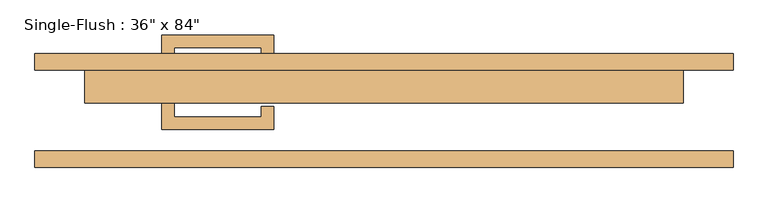
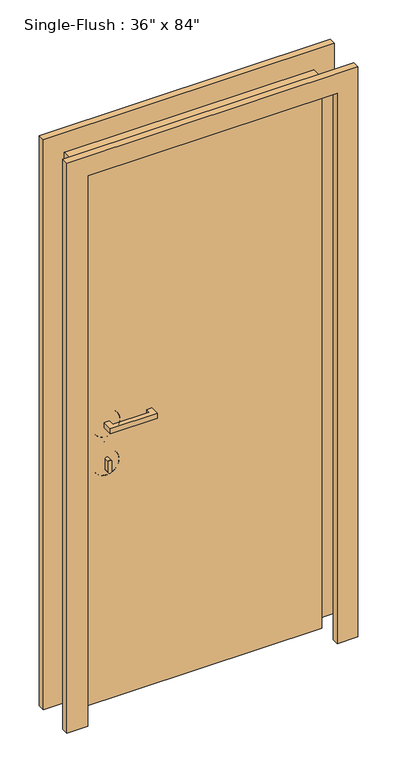
"""IFC4 building model written with IfcOpenShell, lengths in millimetres: door geometry."""

from ifc_helpers import new_model, si_unit, point, frame, frame_2d, origin, origin_with_axes, place, context, project, spatial, polyline, circle_curve, ellipse_curve, trimmed, segment, composite_curve, outline, extrude, source, transform, mapped, element, save
from ifc_brep_helpers import plane_surface, cylinder_surface, revolved_surface, advanced_brep


def door_de4ef92c(model_context):
    return source(origin(), model_context, "Body", "SolidModel", [
        extrude(outline(polyline([(-320.675, 12.7), (-320.675, -9.525), (-187.325, -9.525), (-187.325, 6.35), (-168.275, 6.35), (-168.275, -28.575), (-339.725, -28.575), (-339.725, 12.7), (-320.675, 12.7)])), frame((0.0, 0.0, 1057.275), z_axis=(0.0, 0.0, 1.0), x_axis=(1.0, 0.0, 0.0)), (0.0, 0.0, 1.0), 19.05),
        extrude(outline(composite_curve([segment(trimmed(circle_curve(frame_2d((895.35, -330.2)), 6.35), [point((895.35, -336.55))], [point((895.35, -323.85))], False, "CARTESIAN"), True, "CONTINUOUS"), segment(polyline([(895.35, -323.85), (933.45, -323.85)]), True, "CONTINUOUS"), segment(trimmed(circle_curve(frame_2d((933.45, -330.2)), 6.35), [point((933.45, -323.85))], [point((933.45, -336.55))], False, "CARTESIAN"), True, "CONTINUOUS"), segment(polyline([(933.45, -336.55), (895.35, -336.55)]), True, "CONTINUOUS")], self_intersect=False)), frame((0.0, -9.525, 0.0), z_axis=(0.0, 1.0, 0.0), x_axis=(0.0, 0.0, 1.0)), (0.0, 0.0, 1.0), 22.225),
        advanced_brep(
        [(-282.575, 15.875, 914.4), (-282.575, 25.4, 914.4), (-377.825, 25.4, 914.4), (-377.825, 15.875, 914.4), (-285.75, 12.7, 914.4), (-374.65, 12.7, 914.4), (-330.2, 12.7, 914.4), (-330.2, 25.4, 914.4)],
        [
            (0, 1),
            (1, 2, circle_curve(frame((-330.2, 25.4, 914.4), z_axis=(0.0, -1.0, 0.0), x_axis=(-1.0, 0.0, 0.0)), 47.625)),
            (2, 3),
            (3, 0, circle_curve(frame((-330.2, 15.875, 914.4), z_axis=(0.0, 1.0, 0.0), x_axis=(-1.0, 0.0, 0.0)), 47.625)),
            (2, 1, circle_curve(frame((-330.2, 25.4, 914.4), z_axis=(0.0, -1.0, 0.0), x_axis=(-1.0, 0.0, 0.0)), 47.625)),
            (0, 3, circle_curve(frame((-330.2, 15.875, 914.4), z_axis=(0.0, 1.0, 0.0), x_axis=(-1.0, 0.0, 0.0)), 47.625)),
            (4, 0, circle_curve(frame((-285.75, 15.875, 914.4), z_axis=(0.0, 0.0, 1.0), x_axis=(-1.0, 0.0, 0.0)), 3.175)),
            (3, 5, circle_curve(frame((-374.65, 15.875, 914.4), z_axis=(0.0, 0.0, 1.0), x_axis=(1.0, 0.0, 0.0)), 3.175)),
            (5, 4, circle_curve(frame((-330.2, 12.7, 914.4), z_axis=(0.0, 1.0, 0.0), x_axis=(-1.0, 0.0, 0.0)), 44.45)),
            (4, 5, circle_curve(frame((-330.2, 12.7, 914.4), z_axis=(0.0, 1.0, 0.0), x_axis=(-1.0, 0.0, 0.0)), 44.45)),
            (6, 4),
            (5, 6),
            (1, 7),
            (7, 2),
        ],
        [
            cylinder_surface(frame((-330.2, 152.4, 914.4), z_axis=(0.0, -1.0, 0.0), x_axis=(-1.0, 0.0, 0.0)), 47.625),
            revolved_surface(trimmed(ellipse_curve(frame((-374.65, 15.875, 914.4), z_axis=(0.0, 0.0, 1.0), x_axis=(1.0, 0.0, 0.0)), 3.175, 3.175), [point((-377.825, 15.875, 914.4))], [point((-374.65, 12.7, 914.4))], True, "CARTESIAN"), (-330.2, 152.4, 914.4), (0.0, -1.0, 0.0)),
            plane_surface(frame((-330.2, 12.7, 914.4), z_axis=(0.0, -1.0, 0.0), x_axis=(-1.0, 0.0, 0.0))),
            plane_surface(frame((-330.2, 25.4, 914.4), z_axis=(0.0, 1.0, 0.0), x_axis=(-1.0, 0.0, 0.0))),
        ],
        [
            (0, [[1, 2, 3, 4]]),
            (0, [[-3, 5, -1, 6]]),
            (1, [[7, -4, 8, 9]]),
            (1, [[-8, -6, -7, 10]]),
            (2, [[11, -9, 12]]),
            (2, [[-12, -10, -11]]),
            (3, [[13, 14, -2]]),
            (3, [[-14, -13, -5]]),
        ],
    ),
        advanced_brep(
        [(-279.4, 15.875, 1066.8), (-279.4, 25.4, 1066.8), (-381.0, 25.4, 1066.8), (-381.0, 15.875, 1066.8), (-282.575, 12.7, 1066.8), (-377.825, 12.7, 1066.8), (-330.2, 12.7, 1066.8), (-330.2, 25.4, 1066.8)],
        [
            (0, 1),
            (1, 2, circle_curve(frame((-330.2, 25.4, 1066.8), z_axis=(0.0, -1.0, 0.0), x_axis=(-1.0, 0.0, 0.0)), 50.8)),
            (2, 3),
            (3, 0, circle_curve(frame((-330.2, 15.875, 1066.8), z_axis=(0.0, 1.0, 0.0), x_axis=(-1.0, 0.0, 0.0)), 50.8)),
            (2, 1, circle_curve(frame((-330.2, 25.4, 1066.8), z_axis=(0.0, -1.0, 0.0), x_axis=(-1.0, 0.0, 0.0)), 50.8)),
            (0, 3, circle_curve(frame((-330.2, 15.875, 1066.8), z_axis=(0.0, 1.0, 0.0), x_axis=(-1.0, 0.0, 0.0)), 50.8)),
            (4, 0, circle_curve(frame((-282.575, 15.875, 1066.8), z_axis=(0.0, 0.0, 1.0), x_axis=(-1.0, 0.0, 0.0)), 3.175)),
            (3, 5, circle_curve(frame((-377.825, 15.875, 1066.8), z_axis=(0.0, 0.0, 1.0), x_axis=(1.0, 0.0, 0.0)), 3.175)),
            (5, 4, circle_curve(frame((-330.2, 12.7, 1066.8), z_axis=(0.0, 1.0, 0.0), x_axis=(-1.0, 0.0, 0.0)), 47.625)),
            (4, 5, circle_curve(frame((-330.2, 12.7, 1066.8), z_axis=(0.0, 1.0, 0.0), x_axis=(-1.0, 0.0, 0.0)), 47.625)),
            (6, 4),
            (5, 6),
            (1, 7),
            (7, 2),
        ],
        [
            cylinder_surface(frame((-330.2, 152.4, 1066.8), z_axis=(0.0, -1.0, 0.0), x_axis=(-1.0, 0.0, 0.0)), 50.8),
            revolved_surface(trimmed(ellipse_curve(frame((-377.825, 15.875, 1066.8), z_axis=(0.0, 0.0, 1.0), x_axis=(1.0, 0.0, 0.0)), 3.175, 3.175), [point((-381.0, 15.875, 1066.8))], [point((-377.825, 12.7, 1066.8))], True, "CARTESIAN"), (-330.2, 152.4, 1066.8), (0.0, -1.0, 0.0)),
            plane_surface(frame((-330.2, 12.7, 1066.8), z_axis=(0.0, -1.0, 0.0), x_axis=(-1.0, 0.0, 0.0))),
            plane_surface(frame((-330.2, 25.4, 1066.8), z_axis=(0.0, 1.0, 0.0), x_axis=(-1.0, 0.0, 0.0))),
        ],
        [
            (0, [[1, 2, 3, 4]]),
            (0, [[-3, 5, -1, 6]]),
            (1, [[7, -4, 8, 9]]),
            (1, [[-8, -6, -7, 10]]),
            (2, [[11, -9, 12]]),
            (2, [[-12, -10, -11]]),
            (3, [[13, 14, -2]]),
            (3, [[-14, -13, -5]]),
        ],
    ),
        extrude(outline(polyline([(-320.675, 74.6125), (-339.725, 74.6125), (-339.725, 115.8875), (-168.275, 115.8875), (-168.275, 80.9625), (-187.325, 80.9625), (-187.325, 96.8375), (-320.675, 96.8375), (-320.675, 74.6125)])), frame((0.0, 0.0, 1057.275), z_axis=(0.0, 0.0, 1.0), x_axis=(1.0, 0.0, 0.0)), (0.0, 0.0, 1.0), 19.05),
        extrude(outline(composite_curve([segment(trimmed(circle_curve(frame_2d((895.35, -330.2)), 6.35), [point((895.35, -336.55))], [point((895.35, -323.85))], False, "CARTESIAN"), True, "CONTINUOUS"), segment(polyline([(895.35, -323.85), (933.45, -323.85)]), True, "CONTINUOUS"), segment(trimmed(circle_curve(frame_2d((933.45, -330.2)), 6.35), [point((933.45, -323.85))], [point((933.45, -336.55))], False, "CARTESIAN"), True, "CONTINUOUS"), segment(polyline([(933.45, -336.55), (895.35, -336.55)]), True, "CONTINUOUS")], self_intersect=False)), frame((0.0, 74.6125, 0.0), z_axis=(0.0, 1.0, 0.0), x_axis=(0.0, 0.0, 1.0)), (0.0, 0.0, 1.0), 22.225),
        advanced_brep(
        [(-282.575, 71.4375, 914.4), (-377.825, 71.4375, 914.4), (-377.825, 61.9125, 914.4), (-282.575, 61.9125, 914.4), (-285.75, 74.6125, 914.4), (-374.65, 74.6125, 914.4), (-330.2, 74.6125, 914.4), (-330.2, 61.9125, 914.4)],
        [
            (0, 1, circle_curve(frame((-330.2, 71.4375, 914.4), z_axis=(0.0, -1.0, 0.0), x_axis=(-1.0, 0.0, 0.0)), 47.625)),
            (1, 2),
            (2, 3, circle_curve(frame((-330.2, 61.9125, 914.4), z_axis=(0.0, 1.0, 0.0), x_axis=(-1.0, 0.0, 0.0)), 47.625)),
            (3, 0),
            (1, 0, circle_curve(frame((-330.2, 71.4375, 914.4), z_axis=(0.0, -1.0, 0.0), x_axis=(-1.0, 0.0, 0.0)), 47.625)),
            (3, 2, circle_curve(frame((-330.2, 61.9125, 914.4), z_axis=(0.0, 1.0, 0.0), x_axis=(-1.0, 0.0, 0.0)), 47.625)),
            (4, 5, circle_curve(frame((-330.2, 74.6125, 914.4), z_axis=(0.0, -1.0, 0.0), x_axis=(-1.0, 0.0, 0.0)), 44.45)),
            (5, 1, circle_curve(frame((-374.65, 71.4375, 914.4), z_axis=(0.0, 0.0, 1.0), x_axis=(1.0, 0.0, 0.0)), 3.175)),
            (0, 4, circle_curve(frame((-285.75, 71.4375, 914.4), z_axis=(0.0, 0.0, 1.0), x_axis=(-1.0, 0.0, 0.0)), 3.175)),
            (5, 4, circle_curve(frame((-330.2, 74.6125, 914.4), z_axis=(0.0, -1.0, 0.0), x_axis=(-1.0, 0.0, 0.0)), 44.45)),
            (6, 5),
            (4, 6),
            (2, 7),
            (7, 3),
        ],
        [
            cylinder_surface(frame((-330.2, -65.0875, 914.4), z_axis=(0.0, 1.0, 0.0), x_axis=(-1.0, 0.0, 0.0)), 47.625),
            revolved_surface(trimmed(ellipse_curve(frame((-374.65, 71.4375, 914.4), z_axis=(0.0, 0.0, -1.0), x_axis=(1.0, 0.0, 0.0)), 3.175, 3.175), [point((-377.825, 71.4375, 914.4))], [point((-374.65, 74.6125, 914.4))], True, "CARTESIAN"), (-330.2, -65.0875, 914.4), (0.0, 1.0, 0.0)),
            plane_surface(frame((-330.2, 74.6125, 914.4), z_axis=(0.0, 1.0, 0.0), x_axis=(-1.0, 0.0, 0.0))),
            plane_surface(frame((-330.2, 61.9125, 914.4), z_axis=(0.0, -1.0, 0.0), x_axis=(-1.0, 0.0, 0.0))),
        ],
        [
            (0, [[1, 2, 3, 4]]),
            (0, [[5, -4, 6, -2]]),
            (1, [[7, 8, -1, 9]]),
            (1, [[10, -9, -5, -8]]),
            (2, [[11, -7, 12]]),
            (2, [[-12, -10, -11]]),
            (3, [[-3, 13, 14]]),
            (3, [[-6, -14, -13]]),
        ],
    ),
        advanced_brep(
        [(-279.4, 71.4375, 1066.8), (-381.0, 71.4375, 1066.8), (-381.0, 61.9125, 1066.8), (-279.4, 61.9125, 1066.8), (-282.575, 74.6125, 1066.8), (-377.825, 74.6125, 1066.8), (-330.2, 74.6125, 1066.8), (-330.2, 61.9125, 1066.8)],
        [
            (0, 1, circle_curve(frame((-330.2, 71.4375, 1066.8), z_axis=(0.0, -1.0, 0.0), x_axis=(-1.0, 0.0, 0.0)), 50.8)),
            (1, 2),
            (2, 3, circle_curve(frame((-330.2, 61.9125, 1066.8), z_axis=(0.0, 1.0, 0.0), x_axis=(-1.0, 0.0, 0.0)), 50.8)),
            (3, 0),
            (1, 0, circle_curve(frame((-330.2, 71.4375, 1066.8), z_axis=(0.0, -1.0, 0.0), x_axis=(-1.0, 0.0, 0.0)), 50.8)),
            (3, 2, circle_curve(frame((-330.2, 61.9125, 1066.8), z_axis=(0.0, 1.0, 0.0), x_axis=(-1.0, 0.0, 0.0)), 50.8)),
            (4, 5, circle_curve(frame((-330.2, 74.6125, 1066.8), z_axis=(0.0, -1.0, 0.0), x_axis=(-1.0, 0.0, 0.0)), 47.625)),
            (5, 1, circle_curve(frame((-377.825, 71.4375, 1066.8), z_axis=(0.0, 0.0, 1.0), x_axis=(1.0, 0.0, 0.0)), 3.175)),
            (0, 4, circle_curve(frame((-282.575, 71.4375, 1066.8), z_axis=(0.0, 0.0, 1.0), x_axis=(-1.0, 0.0, 0.0)), 3.175)),
            (5, 4, circle_curve(frame((-330.2, 74.6125, 1066.8), z_axis=(0.0, -1.0, 0.0), x_axis=(-1.0, 0.0, 0.0)), 47.625)),
            (6, 5),
            (4, 6),
            (2, 7),
            (7, 3),
        ],
        [
            cylinder_surface(frame((-330.2, -65.0875, 1066.8), z_axis=(0.0, 1.0, 0.0), x_axis=(-1.0, 0.0, 0.0)), 50.8),
            revolved_surface(trimmed(ellipse_curve(frame((-377.825, 71.4375, 1066.8), z_axis=(0.0, 0.0, -1.0), x_axis=(1.0, 0.0, 0.0)), 3.175, 3.175), [point((-381.0, 71.4375, 1066.8))], [point((-377.825, 74.6125, 1066.8))], True, "CARTESIAN"), (-330.2, -65.0875, 1066.8), (0.0, 1.0, 0.0)),
            plane_surface(frame((-330.2, 74.6125, 1066.8), z_axis=(0.0, 1.0, 0.0), x_axis=(-1.0, 0.0, 0.0))),
            plane_surface(frame((-330.2, 61.9125, 1066.8), z_axis=(0.0, -1.0, 0.0), x_axis=(-1.0, 0.0, 0.0))),
        ],
        [
            (0, [[1, 2, 3, 4]]),
            (0, [[5, -4, 6, -2]]),
            (1, [[7, 8, -1, 9]]),
            (1, [[10, -9, -5, -8]]),
            (2, [[11, -7, 12]]),
            (2, [[-12, -10, -11]]),
            (3, [[-3, 13, 14]]),
            (3, [[-6, -14, -13]]),
        ],
    ),
        extrude(outline(polyline([(2209.8, -533.4), (0.0, -533.4), (0.0, -457.2), (2133.6, -457.2), (2133.6, 457.2), (0.0, 457.2), (0.0, 533.4), (2209.8, 533.4), (2209.8, -533.4)])), frame((0.0, 61.9125, 0.0), z_axis=(0.0, 1.0, 0.0), x_axis=(0.0, 0.0, 1.0)), (0.0, 0.0, 1.0), 25.4),
        extrude(outline(polyline([(2209.8, 533.4), (2209.8, -533.4), (0.0, -533.4), (0.0, -457.2), (2133.6, -457.2), (2133.6, 457.2), (0.0, 457.2), (0.0, 533.4), (2209.8, 533.4)])), frame((0.0, -87.3125, 0.0), z_axis=(0.0, 1.0, 0.0), x_axis=(0.0, 0.0, 1.0)), (0.0, 0.0, 1.0), 25.4),
        extrude(outline(polyline([(457.2, 11.1125), (-457.2, 11.1125), (-457.2, 61.9125), (457.2, 61.9125), (457.2, 11.1125)])), origin_with_axes(), (0.0, 0.0, 1.0), 2133.6),
    ])


if __name__ == "__main__":
    model = new_model("IFC4")
    model_context = context("Model", 3, world=origin())
    ifc_project = project(units=[si_unit("LENGTHUNIT", "METRE", prefix="MILLI")], contexts=[model_context])
    site = spatial("IfcSite", under=ifc_project)
    building = spatial("IfcBuilding", under=site)
    placement = place(None, origin())
    door_shape = door_de4ef92c(model_context)
    element("IfcDoor", 1, ObjectType="Single-Flush : 36\" x 84\"", at=placement, inside=building, context=model_context, shape_type="MappedRepresentation", body=[
        mapped(door_shape, transform((0.0, 0.0, 0.0), x_axis=(1.0, 0.0, 0.0), y_axis=(0.0, 1.0, 0.0), z_axis=(0.0, 0.0, 1.0))),
    ])
    save(model, "model.ifc")
